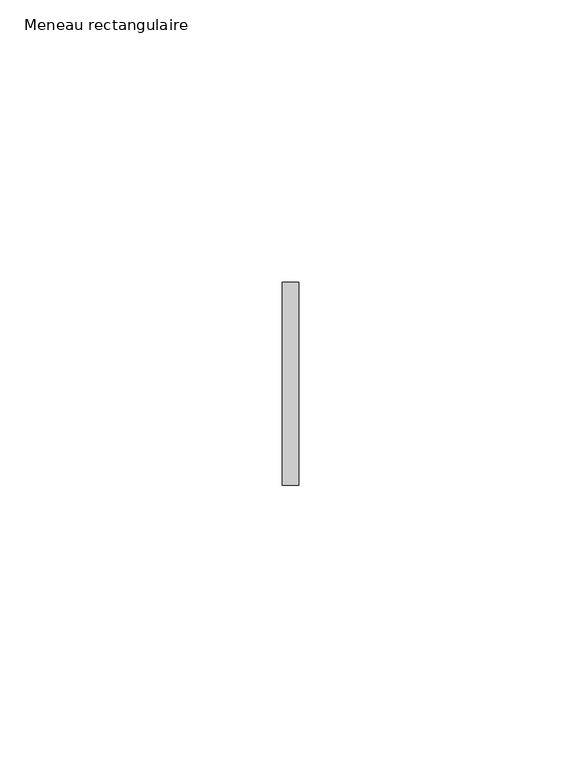
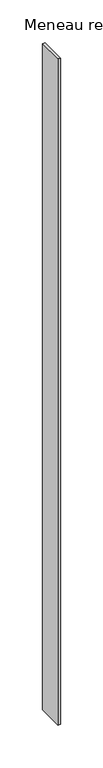
"""IFC4 building model written with IfcOpenShell, lengths in millimetres: member geometry, Meneau rectangulaire."""

from ifc_helpers import new_model, si_unit, frame, origin, place, context, project, spatial, polyline, outline, extrude, source, transform, mapped, element, save


def meneau_rectangulaire_2b6cb9e6(model_context):
    return source(origin(), model_context, "Body", "SweptSolid", [
        extrude(outline(polyline([(-1.5, 18.0), (1.5, 18.0), (1.5, -18.0), (-1.5, -18.0), (-1.5, 18.0)])), frame((0.0, 0.0, -948.0), z_axis=(0.0, 0.0, 1.0), x_axis=(1.0, 0.0, 0.0)), (0.0, 0.0, 1.0), 948.0),
    ])


if __name__ == "__main__":
    model = new_model("IFC4")
    model_context = context("Model", 3, world=origin())
    ifc_project = project(units=[si_unit("LENGTHUNIT", "METRE", prefix="MILLI")], contexts=[model_context])
    site = spatial("IfcSite", under=ifc_project)
    building = spatial("IfcBuilding", under=site)
    placement = place(None, origin())
    meneau_rectangulaire_shape = meneau_rectangulaire_2b6cb9e6(model_context)
    element("IfcMember", 1, ObjectType="Meneau rectangulaire", at=placement, inside=building, context=model_context, shape_type="MappedRepresentation", body=[
        mapped(meneau_rectangulaire_shape, transform((0.0, 0.0, 0.0), x_axis=(1.0, 0.0, 0.0), y_axis=(0.0, 1.0, 0.0), z_axis=(0.0, 0.0, 1.0))),
    ])
    save(model, "model.ifc")
